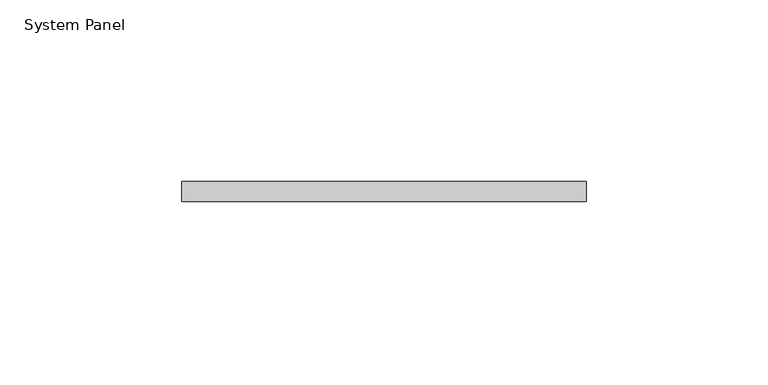
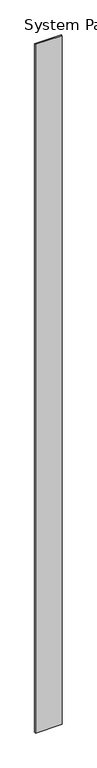
"""IFC4 building model written with IfcOpenShell, lengths in millimetres: plate geometry, System Panel."""

import ifcopenshell
import ifcopenshell.guid

model = None  # the IFC model being written
_history = None  # IfcOwnerHistory: only IFC2X3 demands one
_inside = {}  # id of a spatial element -> (the spatial element, [elements in it])
_under = {}  # id of a project, library or spatial element -> (it, [spatial elements below it])
_declared = {}  # id of a project -> (the project, [libraries it declares])
_typed = {}  # id of a type object -> (the type object, [elements of that type])
_made_of = {}  # id of a material, layer set ... -> (it, [elements and type objects made of it])


def new_model(schema):
    """Start an empty IFC model of exactly this schema.

    Asked for "IFC4X3", IfcOpenShell would pick the latest addendum, in which some entities
    have other attributes; the version numbers below select the first issue.
    IFC2X3 requires an IfcOwnerHistory on every rooted entity: one is made here for all.
    """
    global model, _history
    if schema == "IFC4X3":
        model = ifcopenshell.file(schema_version=(4, 3, 0, 0))
    else:
        model = ifcopenshell.file(schema=schema)
    _inside.clear()
    _under.clear()
    _declared.clear()
    _typed.clear()
    _made_of.clear()
    _history = None
    if model.schema == "IFC2X3":
        org = make("IfcOrganization", Name="unknown")
        user = make(
            "IfcPersonAndOrganization",
            ThePerson=make("IfcPerson", FamilyName="unknown"),
            TheOrganization=org,
        )
        app = make(
            "IfcApplication",
            ApplicationDeveloper=org,
            Version="unknown",
            ApplicationFullName="unknown",
            ApplicationIdentifier="unknown",
        )
        _history = make(
            "IfcOwnerHistory",
            OwningUser=user,
            OwningApplication=app,
            ChangeAction="ADDED",
            CreationDate=0,
        )
    return model


def make(cls, **values):
    """One entity of the class cls with the attributes given. An attribute that is None is left unset."""
    return model.create_entity(
        cls, **{name: value for name, value in values.items() if value is not None}
    )


def rooted(cls, **values):
    """An entity with a GlobalId (a new one), such as an element, a storey or a relation."""
    return make(cls, GlobalId=ifcopenshell.guid.new(), OwnerHistory=_history, **values)


def si_unit(unit_type, name, prefix=None):
    """IfcSIUnit, for example si_unit("LENGTHUNIT", "METRE", prefix="MILLI")."""
    return make("IfcSIUnit", UnitType=unit_type, Prefix=prefix, Name=name)


def assignment(units):
    """IfcUnitAssignment: the units of a project."""
    return None if units is None else make("IfcUnitAssignment", Units=units)


def point(xyz):
    """IfcCartesianPoint."""
    return None if xyz is None else make("IfcCartesianPoint", Coordinates=xyz)


def direction(xyz):
    """IfcDirection."""
    return None if xyz is None else make("IfcDirection", DirectionRatios=xyz)


def frame(location, z_axis=None, x_axis=None):
    """IfcAxis2Placement3D, a coordinate frame: its origin and axes. An axis left out is left unset."""
    return make(
        "IfcAxis2Placement3D",
        Location=point(location),
        Axis=direction(z_axis),
        RefDirection=direction(x_axis),
    )


def origin():
    """The frame at (0, 0, 0) with its axes left unset."""
    return frame((0.0, 0.0, 0.0))


def origin_with_axes():
    """The frame at (0, 0, 0) with the z axis (0, 0, 1) and the x axis (1, 0, 0) written out."""
    return frame((0.0, 0.0, 0.0), z_axis=(0.0, 0.0, 1.0), x_axis=(1.0, 0.0, 0.0))


def place(relative_to, where):
    """IfcLocalPlacement: puts the frame where relative to a parent placement (None: the world)."""
    return make(
        "IfcLocalPlacement", PlacementRelTo=relative_to, RelativePlacement=where
    )


def context(
    kind, dimensions, precision=None, world=None, true_north=None, identifier=None
):
    """IfcGeometricRepresentationContext, for example the 3D "Model" context."""
    return make(
        "IfcGeometricRepresentationContext",
        ContextIdentifier=identifier,
        ContextType=kind,
        CoordinateSpaceDimension=dimensions,
        Precision=precision,
        WorldCoordinateSystem=world,
        TrueNorth=true_north,
    )


def project(units=None, contexts=None):
    """IfcProject with its units and contexts."""
    return rooted(
        "IfcProject",
        Name="project",
        RepresentationContexts=contexts,
        UnitsInContext=assignment(units),
    )


def spatial(cls, under=None, at=None, **own):
    """A site, building, storey or space (cls), placed at a placement, below another one or the project."""
    s = rooted(cls, ObjectPlacement=at, **own)
    if under is not None:
        _under.setdefault(under.id(), (under, []))[1].append(s)
    return s


def polyline(points):
    """IfcPolyline through the points."""
    return make("IfcPolyline", Points=[point(p) for p in points])


def outline(outer, holes=None, kind="AREA"):
    """IfcArbitraryClosedProfileDef: a profile drawn as a closed curve; with holes, ...WithVoids."""
    if holes is None:
        return make("IfcArbitraryClosedProfileDef", ProfileType=kind, OuterCurve=outer)
    return make(
        "IfcArbitraryProfileDefWithVoids",
        ProfileType=kind,
        OuterCurve=outer,
        InnerCurves=holes,
    )


def extrude(swept, where, along, depth):
    """IfcExtrudedAreaSolid: the profile swept, set in the frame where, extruded along a direction by depth."""
    return make(
        "IfcExtrudedAreaSolid",
        SweptArea=swept,
        Position=where,
        ExtrudedDirection=direction(along),
        Depth=depth,
    )


def shape(context_of_items, identifier, shape_type, items):
    """IfcShapeRepresentation: the items that make up one representation, for example the "Body"."""
    return make(
        "IfcShapeRepresentation",
        ContextOfItems=context_of_items,
        RepresentationIdentifier=identifier,
        RepresentationType=shape_type,
        Items=items,
    )


def source(mapping_origin, context_of_items, identifier, shape_type, items):
    """IfcRepresentationMap: a shape defined once, which mapped items show again and again."""
    return make(
        "IfcRepresentationMap",
        MappingOrigin=mapping_origin,
        MappedRepresentation=shape(context_of_items, identifier, shape_type, items),
    )


def transform(
    local_origin,
    x_axis=None,
    y_axis=None,
    z_axis=None,
    scale=None,
    scale2=None,
    scale3=None,
    uniform=True,
):
    """IfcCartesianTransformationOperator3D, or its non-uniform kind. x_axis, y_axis, z_axis: its Axis1, 2, 3."""
    if uniform:
        return make(
            "IfcCartesianTransformationOperator3D",
            Axis1=direction(x_axis),
            Axis2=direction(y_axis),
            LocalOrigin=point(local_origin),
            Scale=scale,
            Axis3=direction(z_axis),
        )
    return make(
        "IfcCartesianTransformationOperator3DnonUniform",
        Axis1=direction(x_axis),
        Axis2=direction(y_axis),
        LocalOrigin=point(local_origin),
        Scale=scale,
        Axis3=direction(z_axis),
        Scale2=scale2,
        Scale3=scale3,
    )


def mapped(mapping_source, mapping_target):
    """IfcMappedItem: shows the shape of a source again, moved by a transform."""
    return make(
        "IfcMappedItem", MappingSource=mapping_source, MappingTarget=mapping_target
    )


def made_of(thing, what):
    """Note that an element or type object is made of a material, layer set ...; save() writes the relation."""
    if what is not None:
        _made_of.setdefault(what.id(), (what, []))[1].append(thing)
    return thing


def element(
    cls,
    number,
    at=None,
    inside=None,
    cuts=None,
    type_object=None,
    material=None,
    context=None,
    identifier="Body",
    shape_type=None,
    held_by="IfcProductDefinitionShape",
    body=None,
    shapes=None,
    **own,
):
    """One element of the class cls, such as IfcWall. Its Tag is "e" and its number.

    at: its placement. inside: the storey or other place that contains it. cuts: it is an
    opening in that element (IfcRelVoidsElement). A single representation is given by context,
    identifier, shape_type and body (its items); several are given by shapes. held_by: the class
    of the entity that holds the representations. save() writes the other relations.
    """
    e = rooted(cls, Tag="e%d" % number, ObjectPlacement=at, **own)
    if body is not None:
        shapes = [shape(context, identifier, shape_type, body)]
    if shapes is not None:
        e.Representation = make(held_by, Representations=shapes)
    if inside is not None:
        _inside.setdefault(inside.id(), (inside, []))[1].append(e)
    if cuts is not None:
        rooted(
            "IfcRelVoidsElement", RelatingBuildingElement=cuts, RelatedOpeningElement=e
        )
    if type_object is not None:
        _typed.setdefault(type_object.id(), (type_object, []))[1].append(e)
    return made_of(e, material)


def aggregate(whole, parts):
    """IfcRelAggregates: a whole, such as a stair, and the parts it consists of."""
    return rooted("IfcRelAggregates", RelatingObject=whole, RelatedObjects=parts)


def save(model, path):
    """Write the relations noted so far, then the file.

    IfcRelAggregates (storeys below a building ...), IfcRelContainedInSpatialStructure (elements
    in a storey), IfcRelDefinesByType, IfcRelAssociatesMaterial and IfcRelDeclares: one each for
    every whole, place, type object, material and project.
    """
    for whole, parts in _under.values():
        aggregate(whole, parts)
    for where, things in _inside.values():
        rooted(
            "IfcRelContainedInSpatialStructure",
            RelatedElements=things,
            RelatingStructure=where,
        )
    for kind, things in _typed.values():
        rooted("IfcRelDefinesByType", RelatedObjects=things, RelatingType=kind)
    for what, things in _made_of.values():
        rooted("IfcRelAssociatesMaterial", RelatedObjects=things, RelatingMaterial=what)
    for by, libraries in _declared.values():
        rooted("IfcRelDeclares", RelatingContext=by, RelatedDefinitions=libraries)
    model.write(path)


def system_panel_54082ecc(model_context):
    return source(origin(), model_context, "Body", "SweptSolid", [
        extrude(outline(polyline([(55.7104564, 0.0), (-55.7104564, 0.0), (-55.7104564, 5.55625), (55.7104564, 5.55625), (55.7104564, 0.0)])), origin_with_axes(), (0.0, 0.0, 1.0), 3048.0),
    ])


if __name__ == "__main__":
    model = new_model("IFC4")
    model_context = context("Model", 3, world=origin())
    ifc_project = project(units=[si_unit("LENGTHUNIT", "METRE", prefix="MILLI")], contexts=[model_context])
    site = spatial("IfcSite", under=ifc_project)
    building = spatial("IfcBuilding", under=site)
    placement = place(None, origin())
    system_panel_shape = system_panel_54082ecc(model_context)
    element("IfcPlate", 1, ObjectType="System Panel", at=placement, inside=building, context=model_context, shape_type="MappedRepresentation", body=[
        mapped(system_panel_shape, transform((0.0, 0.0, 0.0), x_axis=(1.0, 0.0, 0.0), y_axis=(0.0, 1.0, 0.0), z_axis=(0.0, 0.0, 1.0))),
    ])
    save(model, "model.ifc")
